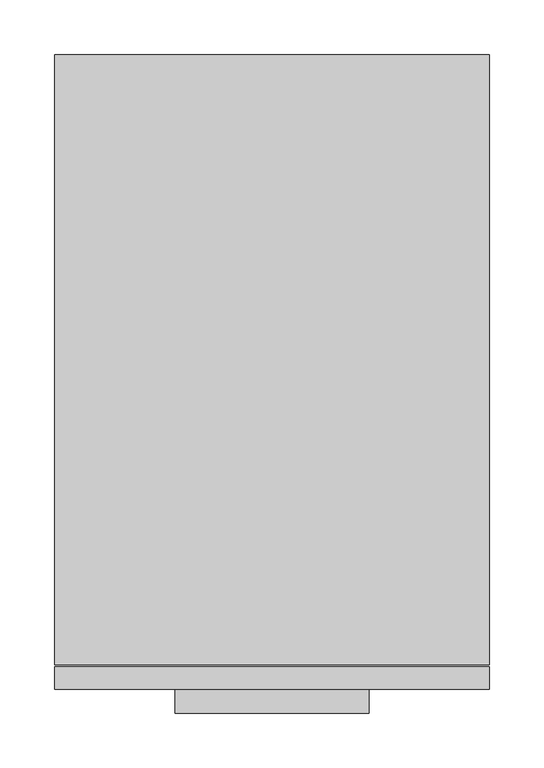
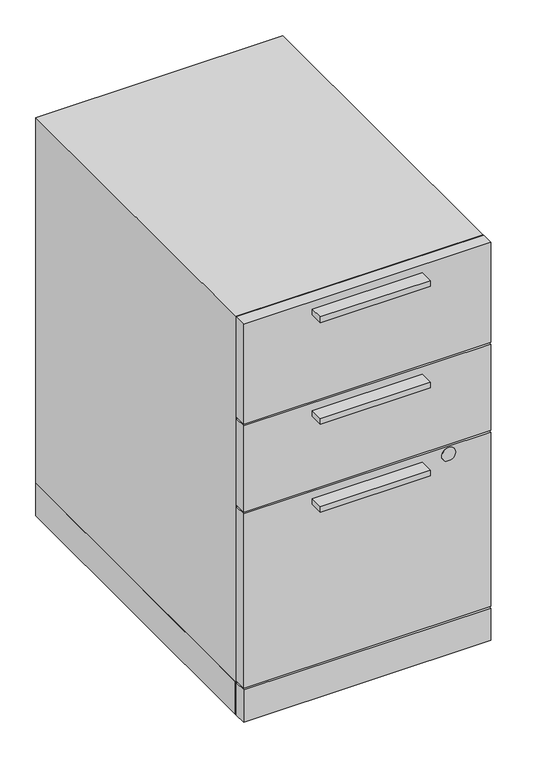
"""IFC4 building model written with IfcOpenShell, lengths in millimetres: furniture geometry."""

from ifc_helpers import new_model, si_unit, point, frame, frame_2d, origin, origin_with_axes, place, context, project, spatial, polyline, circle_curve, trimmed, segment, composite_curve, outline, extrude, faceted_brep, source, transform, mapped, element, save


def furniture_7b145a7c(model_context):
    return source(origin(), model_context, "Body", "SolidModel", [
        extrude(outline(polyline([(288.2773, -22.225), (110.4773, -22.225), (110.4773, 0.0), (288.2773, 0.0), (288.2773, -22.225)])), frame((0.0, 0.0, 486.639235), z_axis=(0.0, 0.0, 1.0), x_axis=(1.0, 0.0, 0.0)), (0.0, 0.0, 1.0), 9.525),
        extrude(outline(polyline([(288.2773, -22.225), (110.4773, -22.225), (110.4773, 0.0), (288.2773, 0.0), (288.2773, -22.225)])), frame((0.0, 0.0, 336.525235), z_axis=(0.0, 0.0, 1.0), x_axis=(1.0, 0.0, 0.0)), (0.0, 0.0, 1.0), 9.525),
        extrude(outline(polyline([(288.2773, -22.225), (110.4773, -22.225), (110.4773, 0.0), (288.2773, 0.0), (288.2773, -22.225)])), frame((0.0, 0.0, 660.177115), z_axis=(0.0, 0.0, 1.0), x_axis=(1.0, 0.0, 0.0)), (0.0, 0.0, 1.0), 9.525),
        extrude(outline(composite_curve([segment(trimmed(circle_curve(frame_2d((345.2876, 330.5302)), 11.176), [point((345.2876, 341.7062))], [point((345.2876, 319.3542))], False, "CARTESIAN"), True, "CONTINUOUS"), segment(trimmed(circle_curve(frame_2d((345.2876, 330.5302)), 11.176), [point((345.2876, 319.3542))], [point((345.2876, 341.7062))], False, "CARTESIAN"), True, "CONTINUOUS")], self_intersect=False)), frame((0.0, -0.254, 0.0), z_axis=(0.0, 1.0, 0.0), x_axis=(0.0, 0.0, 1.0)), (0.0, 0.0, 1.0), 4.6646766),
        extrude(outline(polyline([(0.0, 20.2819), (398.7546, 20.2819), (398.7546, 0.0), (0.0, 0.0), (0.0, 20.2819)])), frame((0.0, 0.0, 512.2672), z_axis=(0.0, 0.0, 1.0), x_axis=(1.0, 0.0, 0.0)), (0.0, 0.0, 1.0), 170.36288),
        extrude(outline(polyline([(0.0, 20.2819), (398.7546, 20.2819), (398.7546, 0.0), (0.0, 0.0), (0.0, 20.2819)])), frame((0.0, 0.0, 362.1532), z_axis=(0.0, 0.0, 1.0), x_axis=(1.0, 0.0, 0.0)), (0.0, 0.0, 1.0), 146.939),
        extrude(outline(polyline([(0.0, 20.2819), (398.7546, 20.2819), (398.7546, 0.0), (0.0, 0.0), (0.0, 20.2819)])), frame((0.0, 0.0, 61.9252), z_axis=(0.0, 0.0, 1.0), x_axis=(1.0, 0.0, 0.0)), (0.0, 0.0, 1.0), 297.053),
        extrude(outline(polyline([(398.7546, 20.2819), (398.7546, 0.0), (0.0, 0.0), (0.0, 20.2819), (398.7546, 20.2819)])), frame((0.0, 0.0, 3.5814), z_axis=(0.0, 0.0, 1.0), x_axis=(1.0, 0.0, 0.0)), (0.0, 0.0, 1.0), 55.1688),
        extrude(outline(polyline([(44.5897, 554.9646), (60.2488, 545.9238144), (60.2488, 527.8422432), (44.5897, 518.8014576), (28.9306, 527.8422432), (28.9306, 545.9238144), (44.5897, 554.9646)])), origin_with_axes(), (0.0, 0.0, 1.0), 8.4328),
        extrude(outline(polyline([(44.5897, 26.1874), (28.9306, 35.2281856), (28.9306, 53.3097568), (44.5897, 62.3505424), (60.2488, 53.3097568), (60.2488, 35.2281856), (44.5897, 26.1874)])), origin_with_axes(), (0.0, 0.0, 1.0), 8.4328),
        extrude(outline(polyline([(354.1649, 554.9646), (369.824, 545.9238144), (369.824, 527.8422432), (354.1649, 518.8014576), (338.5058, 527.8422432), (338.5058, 545.9238144), (354.1649, 554.9646)])), origin_with_axes(), (0.0, 0.0, 1.0), 8.4328),
        extrude(outline(polyline([(354.1649, 26.1874), (338.5058, 35.2281856), (338.5058, 53.3097568), (354.1649, 62.3505424), (369.824, 53.3097568), (369.824, 35.2281856), (354.1649, 26.1874)])), origin_with_axes(), (0.0, 0.0, 1.0), 8.4328),
        extrude(outline(polyline([(398.7546, 581.152), (398.7546, 23.0632), (0.0, 23.0632), (0.0, 581.152), (398.7546, 581.152)])), frame((0.0, 0.0, 3.5814), z_axis=(0.0, 0.0, 1.0), x_axis=(1.0, 0.0, 0.0)), (0.0, 0.0, 1.0), 55.1688),
        faceted_brep([(398.7546, 581.152, 682.63008), (398.7546, 581.152, 58.7502), (0.0, 581.152, 58.7502), (0.0, 581.152, 682.63008), (0.0, 22.0726, 682.63008), (398.7546, 22.0726, 682.63008), (0.0, 22.0726, 58.7502), (398.7546, 22.0726, 58.7502), (379.4506, 22.0726, 58.7502), (379.4506, 561.848, 58.7502), (19.304, 561.848, 58.7502), (19.304, 22.0726, 58.7502), (379.4506, 561.848, 663.32608), (19.304, 561.848, 663.32608), (379.4506, 22.0726, 663.32608), (19.304, 22.0726, 663.32608)], [[[0, 1, 2, 3]], [[0, 3, 4, 5]], [[3, 2, 6, 4]], [[2, 1, 7, 8, 9, 10, 11, 6]], [[1, 0, 5, 7]], [[12, 13, 10, 9]], [[13, 12, 14, 15]], [[10, 13, 15, 11]], [[12, 9, 8, 14]], [[5, 4, 6, 11, 15, 14, 8, 7]]]),
    ])


if __name__ == "__main__":
    model = new_model("IFC4")
    model_context = context("Model", 3, world=origin())
    ifc_project = project(units=[si_unit("LENGTHUNIT", "METRE", prefix="MILLI")], contexts=[model_context])
    site = spatial("IfcSite", under=ifc_project)
    building = spatial("IfcBuilding", under=site)
    placement = place(None, origin())
    furniture_shape = furniture_7b145a7c(model_context)
    element("IfcFurniture", 1, at=placement, inside=building, context=model_context, shape_type="MappedRepresentation", body=[
        mapped(furniture_shape, transform((0.0, 0.0, 0.0), x_axis=(1.0, 0.0, 0.0), y_axis=(0.0, 1.0, 0.0), z_axis=(0.0, 0.0, 1.0))),
    ])
    save(model, "model.ifc")
